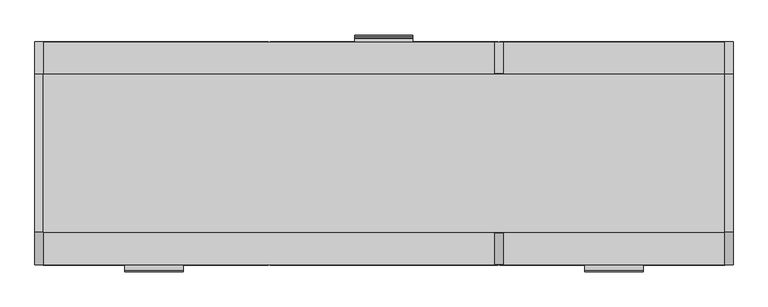
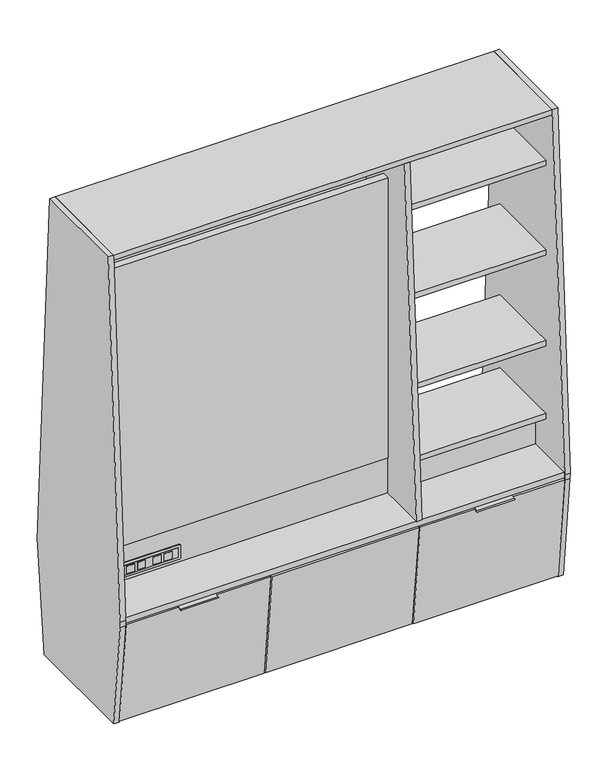
"""IFC4 building model written with IfcOpenShell, lengths in millimetres: furniture geometry."""

from ifc_helpers import new_model, si_unit, point, frame, frame_2d, origin, origin_with_axes, place, context, project, spatial, polyline, circle_curve, trimmed, segment, composite_curve, outline, extrude, faceted_brep, source, transform, mapped, element, save


def furniture_ca8d9b55(model_context):
    return source(origin(), model_context, "Body", "SolidModel", [
        extrude(outline(polyline([(157.7305213, 93.4892692), (189.4805213, 93.4892692), (189.4805213, 92.4677966), (157.7305213, 92.4677966), (157.7305213, 93.4892692)])), frame((0.0, 0.0, 504.4364571), z_axis=(0.0, 0.0, 1.0), x_axis=(1.0, 0.0, 0.0)), (0.0, 0.0, 1.0), 31.75),
        extrude(outline(polyline([(113.2805213, 93.4892692), (145.0305213, 93.4892692), (145.0305213, 92.4677966), (113.2805213, 92.4677966), (113.2805213, 93.4892692)])), frame((0.0, 0.0, 504.4364571), z_axis=(0.0, 0.0, 1.0), x_axis=(1.0, 0.0, 0.0)), (0.0, 0.0, 1.0), 31.75),
        extrude(outline(polyline([(49.7805213, 93.4892692), (81.5305213, 93.4892692), (81.5305213, 92.4677966), (49.7805213, 92.4677966), (49.7805213, 93.4892692)])), frame((0.0, 0.0, 504.4364571), z_axis=(0.0, 0.0, 1.0), x_axis=(1.0, 0.0, 0.0)), (0.0, 0.0, 1.0), 31.75),
        extrude(outline(polyline([(5.3305213, 93.4892692), (37.0805213, 93.4892692), (37.0805213, 92.4677966), (5.3305213, 92.4677966), (5.3305213, 93.4892692)])), frame((0.0, 0.0, 504.4364571), z_axis=(0.0, 0.0, 1.0), x_axis=(1.0, 0.0, 0.0)), (0.0, 0.0, 1.0), 31.75),
        extrude(outline(polyline([(-19.6704605, 92.4677966), (208.9295395, 92.4677966), (208.9295395, 90.7152856), (-19.6704605, 90.7152856), (-19.6704605, 92.4677966)])), frame((0.0, 0.0, 500.0486504), z_axis=(0.0, 0.0, 1.0), x_axis=(1.0, 0.0, 0.0)), (0.0, 0.0, 1.0), 40.3854567),
        extrude(outline(composite_curve([segment(trimmed(circle_curve(frame_2d((545.1966071, -26.0204605)), 6.35), [point((551.5466071, -26.0204605))], [point((545.1966071, -32.3704605))], False, "CARTESIAN"), True, "CONTINUOUS"), segment(polyline([(545.1966071, -32.3704605), (495.2861504, -32.3704605)]), True, "CONTINUOUS"), segment(trimmed(circle_curve(frame_2d((495.2861504, -26.0204605)), 6.35), [point((495.2861504, -32.3704605))], [point((488.9361504, -26.0204605))], False, "CARTESIAN"), True, "CONTINUOUS"), segment(polyline([(488.9361504, -26.0204605), (488.9361504, 215.2795395)]), True, "CONTINUOUS"), segment(trimmed(circle_curve(frame_2d((495.2861504, 215.2795395)), 6.35), [point((488.9361504, 215.2795395))], [point((495.2861504, 221.6295395))], False, "CARTESIAN"), True, "CONTINUOUS"), segment(polyline([(495.2861504, 221.6295395), (545.1966071, 221.6295395)]), True, "CONTINUOUS"), segment(trimmed(circle_curve(frame_2d((545.1966071, 215.2795395)), 6.35), [point((545.1966071, 221.6295395))], [point((551.5466071, 215.2795395))], False, "CARTESIAN"), True, "CONTINUOUS"), segment(polyline([(551.5466071, 215.2795395), (551.5466071, -26.0204605)]), True, "CONTINUOUS")], self_intersect=False)), frame((0.0, 87.2211236, 0.0), z_axis=(0.0, 1.0, 0.0), x_axis=(0.0, 0.0, 1.0)), (0.0, 0.0, 1.0), 3.494162),
        extrude(outline(polyline([(-891.41351, 91.9757812), (289.71291, 91.9757812), (289.71291, 62.9943813), (-891.41351, 62.9943813), (-891.41351, 91.9757812)])), frame((0.0, 0.0, 627.7356), z_axis=(0.0, 0.0, 1.0), x_axis=(1.0, 0.0, 0.0)), (0.0, 0.0, 1.0), 1203.325),
        extrude(outline(polyline([(-891.41351, 87.2211366), (289.71189, 87.2211366), (289.71189, 62.9895366), (-891.41351, 62.9895366), (-891.41351, 87.2211366)])), frame((0.0, 0.0, 475.3356), z_axis=(0.0, 0.0, 1.0), x_axis=(1.0, 0.0, 0.0)), (0.0, 0.0, 1.0), 152.4),
        extrude(outline(polyline([(-741.9305213, -93.4892692), (-773.6805213, -93.4892692), (-773.6805213, -92.4677966), (-741.9305213, -92.4677966), (-741.9305213, -93.4892692)])), frame((0.0, 0.0, 504.4364571), z_axis=(0.0, 0.0, 1.0), x_axis=(1.0, 0.0, 0.0)), (0.0, 0.0, 1.0), 31.75),
        extrude(outline(polyline([(-697.4805213, -93.4892692), (-729.2305213, -93.4892692), (-729.2305213, -92.4677966), (-697.4805213, -92.4677966), (-697.4805213, -93.4892692)])), frame((0.0, 0.0, 504.4364571), z_axis=(0.0, 0.0, 1.0), x_axis=(1.0, 0.0, 0.0)), (0.0, 0.0, 1.0), 31.75),
        extrude(outline(polyline([(-633.9805213, -93.4892692), (-665.7305213, -93.4892692), (-665.7305213, -92.4677966), (-633.9805213, -92.4677966), (-633.9805213, -93.4892692)])), frame((0.0, 0.0, 504.4364571), z_axis=(0.0, 0.0, 1.0), x_axis=(1.0, 0.0, 0.0)), (0.0, 0.0, 1.0), 31.75),
        extrude(outline(polyline([(-589.5305213, -93.4892692), (-621.2805213, -93.4892692), (-621.2805213, -92.4677966), (-589.5305213, -92.4677966), (-589.5305213, -93.4892692)])), frame((0.0, 0.0, 504.4364571), z_axis=(0.0, 0.0, 1.0), x_axis=(1.0, 0.0, 0.0)), (0.0, 0.0, 1.0), 31.75),
        extrude(outline(polyline([(-564.5295395, -92.4677966), (-793.1295395, -92.4677966), (-793.1295395, -90.7152856), (-564.5295395, -90.7152856), (-564.5295395, -92.4677966)])), frame((0.0, 0.0, 500.0486504), z_axis=(0.0, 0.0, 1.0), x_axis=(1.0, 0.0, 0.0)), (0.0, 0.0, 1.0), 40.3854567),
        extrude(outline(composite_curve([segment(polyline([(551.5466071, -558.1795395), (551.5466071, -799.4795395)]), True, "CONTINUOUS"), segment(trimmed(circle_curve(frame_2d((545.1966071, -799.4795395)), 6.35), [point((551.5466071, -799.4795395))], [point((545.1966071, -805.8295395))], False, "CARTESIAN"), True, "CONTINUOUS"), segment(polyline([(545.1966071, -805.8295395), (495.2861504, -805.8295395)]), True, "CONTINUOUS"), segment(trimmed(circle_curve(frame_2d((495.2861504, -799.4795395)), 6.35), [point((495.2861504, -805.8295395))], [point((488.9361504, -799.4795395))], False, "CARTESIAN"), True, "CONTINUOUS"), segment(polyline([(488.9361504, -799.4795395), (488.9361504, -558.1795395)]), True, "CONTINUOUS"), segment(trimmed(circle_curve(frame_2d((495.2861504, -558.1795395)), 6.35), [point((488.9361504, -558.1795395))], [point((495.2861504, -551.8295395))], False, "CARTESIAN"), True, "CONTINUOUS"), segment(polyline([(495.2861504, -551.8295395), (545.1966071, -551.8295395)]), True, "CONTINUOUS"), segment(trimmed(circle_curve(frame_2d((545.1966071, -558.1795395)), 6.35), [point((545.1966071, -551.8295395))], [point((551.5466071, -558.1795395))], False, "CARTESIAN"), True, "CONTINUOUS")], self_intersect=False)), frame((0.0, -90.7152856, 0.0), z_axis=(0.0, 1.0, 0.0), x_axis=(0.0, 0.0, 1.0)), (0.0, 0.0, 1.0), 3.494162),
        extrude(outline(composite_curve([segment(polyline([(-307.1477177, 448.1712912), (-268.2073579, 452.264088), (-266.3258456, 434.3626938), (-268.3148894, 434.1536369), (-269.9873448, 450.0659872), (-300.8175235, 446.8256049)]), True, "CONTINUOUS"), segment(trimmed(circle_curve(frame_2d((-303.2992124, 446.137696)), 2.5752667), [point((-300.8175235, 446.8256049))], [point((-303.0300238, 443.5765369))], False, "CARTESIAN"), True, "CONTINUOUS"), segment(polyline([(-303.0300238, 443.5765369), (-306.9683305, 443.1626042)]), True, "CONTINUOUS"), segment(trimmed(circle_curve(frame_2d((-307.2308968, 445.6607562)), 2.5119126), [point((-306.9683305, 443.1626042))], [point((-307.1477177, 448.1712912))], False, "CARTESIAN"), True, "CONTINUOUS")], self_intersect=False)), frame((-677.89374, 0.0, 0.0), z_axis=(1.0, 0.0, 0.0), x_axis=(0.0, 1.0, 0.0)), (0.0, 0.0, 1.0), 152.4254),
        extrude(outline(polyline([(289.71189, -87.2211366), (-891.41351, -87.2211366), (-891.41351, -62.9895366), (289.71189, -62.9895366), (289.71189, -87.2211366)])), frame((0.0, 0.0, 475.3356), z_axis=(0.0, 0.0, 1.0), x_axis=(1.0, 0.0, 0.0)), (0.0, 0.0, 1.0), 152.4),
        extrude(outline(polyline([(0.0, -587.963), (0.0, 0.0), (22.2250001, 0.0), (22.2250001, -587.963), (0.0, -587.963)])), frame((-891.41351, -246.1869193, 5.4423018), z_axis=(0.0, -0.10452846326765257, 0.9945218953682735), x_axis=(0.0, 0.9945218953682735, 0.10452846326765257)), (0.0, 0.0, 1.0), 442.9125),
        extrude(outline(polyline([(0.0, -596.5134001), (0.0, 0.0), (22.2250001, 0.0), (22.2250001, -596.5134001), (0.0, -596.5134001)])), frame((-298.2671101, -246.1869193, 5.4423018), z_axis=(0.0, -0.10452846326765272, 0.9945218953682734), x_axis=(0.0, 0.9945218953682734, 0.10452846326765272)), (0.0, 0.0, 1.0), 442.9125),
        extrude(outline(polyline([(0.0, -587.9894201), (0.0, 0.0), (22.2250001, 0.0), (22.2250001, -587.9894201), (0.0, -587.9894201)])), frame((303.4240899, -246.1869193, 5.4423018), z_axis=(0.0, -0.10452846326765272, 0.9945218953682734), x_axis=(0.0, 0.9945218953682734, 0.10452846326765272)), (0.0, 0.0, 1.0), 442.9125),
        extrude(outline(polyline([(-207.9626828, 1959.9734301), (207.9626828, 1959.9734301), (291.2500554, 475.3466071), (-291.2500554, 475.3466071), (-207.9626828, 1959.9734301)])), frame((289.71291, 0.0, 0.0), z_axis=(1.0, 0.0, 0.0), x_axis=(0.0, 1.0, 0.0)), (0.0, 0.0, 1.0), 22.2239799),
        extrude(outline(composite_curve([segment(polyline([(-206.771875, 1981.2), (206.771875, 1981.2), (291.8251118, 465.0960229)]), True, "CONTINUOUS"), segment(trimmed(circle_curve(frame_2d((143.1743279, 456.7567332)), 148.8845167), [point((291.8251118, 465.0960229))], [point((291.2432396, 441.1940635))], False, "CARTESIAN"), True, "CONTINUOUS"), segment(polyline([(291.2432396, 441.1940635), (244.871875, 0.0), (-244.871875, 0.0), (-291.2432396, 441.1940635)]), True, "CONTINUOUS"), segment(trimmed(circle_curve(frame_2d((-143.1743279, 456.7567332)), 148.8845167), [point((-291.2432396, 441.1940635))], [point((-291.8251118, 465.0960229))], False, "CARTESIAN"), True, "CONTINUOUS"), segment(polyline([(-291.8251118, 465.0960229), (-206.771875, 1981.2)]), True, "CONTINUOUS")], self_intersect=False)), frame((891.41351, 0.0, 0.0), z_axis=(1.0, 0.0, 0.0), x_axis=(0.0, 1.0, 0.0)), (0.0, 0.0, 1.0), 22.2239799),
        faceted_brep([(213.5068001, -240.4533451, 163.5125), (-235.7683999, -240.4533451, 163.5125), (-235.7683999, -261.4781545, 363.5502), (-257.9933999, -261.4781545, 363.5502), (-257.9933999, -237.4513264, 134.9502), (-235.7683999, -237.4513264, 134.9502), (-235.7683999, -238.1174034, 141.2875), (213.5068001, -238.1174034, 141.2875), (213.5068001, -237.4513264, 134.9502), (235.7318001, -237.4513264, 134.9502), (235.7318001, -261.4781545, 363.5502), (213.5068001, -261.4781545, 363.5502), (-235.7683999, 102.5671085, 141.2875), (213.5068001, 102.5671085, 141.2875), (-235.7683999, 102.5671085, 163.5125), (213.5068001, 102.5671085, 163.5125), (235.7318001, 118.4421085, 134.9502), (235.7318001, 118.4421085, 363.5502), (213.5068001, 118.4421085, 363.5502), (213.5068001, 118.4421085, 134.9502), (-235.7683999, 118.4421085, 134.9502), (-235.7683999, 118.4421085, 363.5502), (-257.9933999, 118.4421085, 363.5502), (-257.9933999, 118.4421085, 134.9502)], [[[0, 1, 2, 3, 4, 5, 6, 7, 8, 9, 10, 11]], [[7, 6, 12, 13]], [[13, 12, 14, 15]], [[1, 0, 15, 14]], [[10, 9, 16, 17]], [[11, 18, 19, 8, 7, 13, 15, 0]], [[16, 9, 8, 19]], [[17, 16, 19, 18]], [[10, 17, 18, 11]], [[5, 20, 21, 2, 1, 14, 12, 6]], [[3, 22, 23, 4]], [[20, 5, 4, 23]], [[21, 20, 23, 22]], [[2, 21, 22, 3]]]),
        faceted_brep([(824.71311, -102.5671085, 163.5125), (375.43791, -102.5671085, 163.5125), (375.43791, -102.5671085, 141.2875), (824.71311, -102.5671085, 141.2875), (375.43791, 238.1174034, 141.2875), (824.71311, 238.1174034, 141.2875), (375.43791, 237.4513264, 134.9502), (353.21291, 237.4513264, 134.9502), (353.21291, 261.4781545, 363.5502), (375.43791, 261.4781545, 363.5502), (375.43791, 240.4533451, 163.5125), (824.71311, 240.4533451, 163.5125), (824.71311, 261.4781545, 363.5502), (846.93811, 261.4781545, 363.5502), (846.93811, 237.4513264, 134.9502), (824.71311, 237.4513264, 134.9502), (375.43791, -118.5629409, 363.5502), (375.43791, -118.5629409, 134.9502), (353.21291, -118.5629409, 363.5502), (353.21291, -118.5629409, 134.9502), (846.93811, -118.5629409, 363.5502), (846.93811, -118.5629409, 134.9502), (824.71311, -118.5629409, 363.5502), (824.71311, -118.5629409, 134.9502)], [[[0, 1, 2, 3]], [[3, 2, 4, 5]], [[5, 4, 6, 7, 8, 9, 10, 11, 12, 13, 14, 15]], [[1, 0, 11, 10]], [[16, 17, 6, 4, 2, 1, 10, 9]], [[18, 8, 7, 19]], [[17, 16, 18, 19]], [[6, 17, 19, 7]], [[16, 9, 8, 18]], [[20, 21, 14, 13]], [[22, 12, 11, 0, 3, 5, 15, 23]], [[21, 20, 22, 23]], [[14, 21, 23, 15]], [[20, 13, 12, 22]]]),
        faceted_brep([(-378.63831, -102.5671085, 163.5125), (-827.91351, -102.5671085, 163.5125), (-827.91351, -102.5671085, 141.2875), (-378.63831, -102.5671085, 141.2875), (-827.91351, 238.1174034, 141.2875), (-378.63831, 238.1174034, 141.2875), (-827.91351, 237.4513264, 134.9502), (-850.13851, 237.4513264, 134.9502), (-850.13851, 261.4781545, 363.5502), (-827.91351, 261.4781545, 363.5502), (-827.91351, 240.4533451, 163.5125), (-378.63831, 240.4533451, 163.5125), (-378.63831, 261.4781545, 363.5502), (-356.41331, 261.4781545, 363.5502), (-356.41331, 237.4513264, 134.9502), (-378.63831, 237.4513264, 134.9502), (-356.41331, -118.5629409, 363.5502), (-356.41331, -118.5629409, 134.9502), (-378.63831, -118.5629409, 363.5502), (-378.63831, -118.5629409, 134.9502), (-827.91351, -118.5629409, 363.5502), (-827.91351, -118.5629409, 134.9502), (-850.13851, -118.5629409, 363.5502), (-850.13851, -118.5629409, 134.9502)], [[[0, 1, 2, 3]], [[3, 2, 4, 5]], [[5, 4, 6, 7, 8, 9, 10, 11, 12, 13, 14, 15]], [[1, 0, 11, 10]], [[16, 17, 14, 13]], [[18, 12, 11, 0, 3, 5, 15, 19]], [[17, 16, 18, 19]], [[14, 17, 19, 15]], [[16, 13, 12, 18]], [[20, 21, 6, 4, 2, 1, 10, 9]], [[22, 8, 7, 23]], [[21, 20, 22, 23]], [[6, 21, 23, 7]], [[20, 9, 8, 22]]]),
        extrude(outline(composite_curve([segment(trimmed(circle_curve(frame_2d((307.2308968, 445.6607562)), 2.5119126), [point((307.1477177, 448.1712912))], [point((306.9683305, 443.1626042))], False, "CARTESIAN"), True, "CONTINUOUS"), segment(polyline([(306.9683305, 443.1626042), (303.0300238, 443.5765369)]), True, "CONTINUOUS"), segment(trimmed(circle_curve(frame_2d((303.2992124, 446.137696)), 2.5752667), [point((303.0300238, 443.5765369))], [point((300.8175235, 446.8256049))], False, "CARTESIAN"), True, "CONTINUOUS"), segment(polyline([(300.8175235, 446.8256049), (269.9873448, 450.0659872), (268.3148894, 434.1536369), (266.3258456, 434.3626938), (268.2073579, 452.264088), (307.1477177, 448.1712912)]), True, "CONTINUOUS")], self_intersect=False)), frame((-77.0222, 0.0, 0.0), z_axis=(1.0, 0.0, 0.0), x_axis=(0.0, 1.0, 0.0)), (0.0, 0.0, 1.0), 152.4),
        extrude(outline(composite_curve([segment(polyline([(-307.1477177, 448.1712912), (-268.2073579, 452.264088), (-266.3258456, 434.3626938), (-268.3148894, 434.1536369), (-269.9873448, 450.0659872), (-300.8175235, 446.8256049)]), True, "CONTINUOUS"), segment(trimmed(circle_curve(frame_2d((-303.2992124, 446.137696)), 2.5752667), [point((-300.8175235, 446.8256049))], [point((-303.0300238, 443.5765369))], False, "CARTESIAN"), True, "CONTINUOUS"), segment(polyline([(-303.0300238, 443.5765369), (-306.9683305, 443.1626042)]), True, "CONTINUOUS"), segment(trimmed(circle_curve(frame_2d((-307.2308968, 445.6607562)), 2.5119126), [point((-306.9683305, 443.1626042))], [point((-307.1477177, 448.1712912))], False, "CARTESIAN"), True, "CONTINUOUS")], self_intersect=False)), frame((525.46834, 0.0, 0.0), z_axis=(1.0, 0.0, 0.0), x_axis=(0.0, 1.0, 0.0)), (0.0, 0.0, 1.0), 152.4254),
        extrude(outline(polyline([(891.41351, -62.9895366), (891.41351, -87.2211366), (311.93689, -87.2211366), (311.93689, -62.9895366), (891.41351, -62.9895366)])), frame((0.0, 0.0, 475.3466071), z_axis=(0.0, 0.0, 1.0), x_axis=(1.0, 0.0, 0.0)), (0.0, 0.0, 1.0), 152.4),
        extrude(outline(polyline([(891.41351, 87.2211366), (891.41351, 62.9895366), (311.93689, 62.9895366), (311.93689, 87.2211366), (891.41351, 87.2211366)])), frame((0.0, 0.0, 475.3466071), z_axis=(0.0, 0.0, 1.0), x_axis=(1.0, 0.0, 0.0)), (0.0, 0.0, 1.0), 152.4),
        extrude(outline(polyline([(-266.7, 453.1216071), (266.7, 453.1216071), (219.075, 0.0), (196.85, 0.0), (196.85, 120.65), (-196.85, 120.65), (-196.85, 0.0), (-219.075, 0.0), (-266.7, 453.1216071)])), frame((-311.93689, 0.0, 0.0), z_axis=(1.0, 0.0, 0.0), x_axis=(0.0, 1.0, 0.0)), (0.0, 0.0, 1.0), 22.225),
        extrude(outline(polyline([(-266.7, 453.1216071), (266.7, 453.1216071), (219.075, 0.0), (196.85, 0.0), (196.85, 120.65), (-196.85, 120.65), (-196.85, 0.0), (-219.075, 0.0), (-266.7, 453.1216071)])), frame((289.71189, 0.0, 0.0), z_axis=(1.0, 0.0, 0.0), x_axis=(0.0, 1.0, 0.0)), (0.0, 0.0, 1.0), 22.225),
        extrude(outline(polyline([(891.38709, 291.1357527), (891.38709, -291.1606582), (-891.41351, -291.1606582), (-891.41351, 291.1357527), (891.38709, 291.1357527)])), frame((0.0, 0.0, 453.1216071), z_axis=(0.0, 0.0, 1.0), x_axis=(1.0, 0.0, 0.0)), (0.0, 0.0, 1.0), 22.225),
        extrude(outline(polyline([(891.38709, 196.85), (891.38709, -196.85), (-891.41351, -196.85), (-891.41351, 196.85), (891.38709, 196.85)])), frame((0.0, 0.0, 98.425), z_axis=(0.0, 0.0, 1.0), x_axis=(1.0, 0.0, 0.0)), (0.0, 0.0, 1.0), 22.225),
        extrude(outline(polyline([(-890.61976, 219.075), (-312.75706, 219.075), (-312.75706, 196.85), (-890.61976, 196.85), (-890.61976, 219.075)])), origin_with_axes(), (0.0, 0.0, 1.0), 119.65),
        extrude(outline(polyline([(-288.94456, 219.075), (288.91814, 219.075), (288.91814, 196.85), (-288.94456, 196.85), (-288.94456, 219.075)])), origin_with_axes(), (0.0, 0.0, 1.0), 119.65),
        extrude(outline(polyline([(312.73064, 219.075), (890.59334, 219.075), (890.59334, 196.85), (312.73064, 196.85), (312.73064, 219.075)])), origin_with_axes(), (0.0, 0.0, 1.0), 119.65),
        extrude(outline(polyline([(-312.75706, -219.075), (-890.61976, -219.075), (-890.61976, -196.85), (-312.75706, -196.85), (-312.75706, -219.075)])), origin_with_axes(), (0.0, 0.0, 1.0), 119.65),
        extrude(outline(polyline([(288.91814, -219.075), (-288.94456, -219.075), (-288.94456, -196.85), (288.91814, -196.85), (288.91814, -219.075)])), origin_with_axes(), (0.0, 0.0, 1.0), 119.65),
        extrude(outline(polyline([(890.59334, -219.075), (312.73064, -219.075), (312.73064, -196.85), (890.59334, -196.85), (890.59334, -219.075)])), origin_with_axes(), (0.0, 0.0, 1.0), 119.65),
        extrude(outline(polyline([(0.0, -587.963), (0.0, 0.0), (22.2250001, 0.0), (22.2250001, -587.963), (0.0, -587.963)])), frame((-303.45051, 246.1869193, 5.4423018), z_axis=(0.0, 0.10452846326765272, 0.9945218953682734), x_axis=(0.0, -0.9945218953682734, 0.10452846326765272)), (0.0, 0.0, 1.0), 442.9125),
        extrude(outline(polyline([(0.0, -596.5134001), (0.0, 0.0), (22.2250001, 0.0), (22.2250001, -596.5134001), (0.0, -596.5134001)])), frame((298.24629, 246.1869193, 5.4423018), z_axis=(0.0, 0.10452846326765257, 0.9945218953682735), x_axis=(0.0, -0.9945218953682735, 0.10452846326765257)), (0.0, 0.0, 1.0), 442.9125),
        extrude(outline(polyline([(0.0, -587.9894201), (0.0, 0.0), (22.2250001, 0.0), (22.2250001, -587.9894201), (0.0, -587.9894201)])), frame((891.41351, 246.1869193, 5.4423018), z_axis=(0.0, 0.10452846326765575, 0.9945218953682732), x_axis=(0.0, -0.9945218953682732, 0.10452846326765575)), (0.0, 0.0, 1.0), 442.9125),
        extrude(outline(polyline([(289.71291, -91.9757812), (-891.41351, -91.9757812), (-891.41351, -62.9943813), (289.71291, -62.9943813), (289.71291, -91.9757812)])), frame((0.0, 0.0, 627.7356), z_axis=(0.0, 0.0, 1.0), x_axis=(1.0, 0.0, 0.0)), (0.0, 0.0, 1.0), 1203.325),
        extrude(outline(polyline([(891.38709, 206.771875), (891.38709, -206.771875), (-891.41351, -206.771875), (-891.41351, 206.771875), (891.38709, 206.771875)])), frame((0.0, 0.0, 1959.9734301), z_axis=(0.0, 0.0, 1.0), x_axis=(1.0, 0.0, 0.0)), (0.0, 0.0, 1.0), 21.2265699),
        extrude(outline(polyline([(891.41351, 163.4744), (891.41351, -161.5186), (311.93689, -161.5186), (311.93689, 163.4744), (891.41351, 163.4744)])), frame((0.0, 0.0, 1715.2641071), z_axis=(0.0, 0.0, 1.0), x_axis=(1.0, 0.0, 0.0)), (0.0, 0.0, 1.0), 22.225),
        extrude(outline(polyline([(891.41351, -161.5186), (311.93689, -161.5186), (311.93689, 163.4744), (891.41351, 163.4744), (891.41351, -161.5186)])), frame((0.0, 0.0, 1330.6916071), z_axis=(0.0, 0.0, 1.0), x_axis=(1.0, 0.0, 0.0)), (0.0, 0.0, 1.0), 22.225),
        extrude(outline(polyline([(891.41351, 163.4744), (891.41351, -161.5186), (311.93689, -161.5186), (311.93689, 163.4744), (891.41351, 163.4744)])), frame((0.0, 0.0, 941.1191071), z_axis=(0.0, 0.0, 1.0), x_axis=(1.0, 0.0, 0.0)), (0.0, 0.0, 1.0), 22.225),
        extrude(outline(polyline([(891.41351, 163.4744), (891.41351, -161.5186), (311.93689, -161.5186), (311.93689, 163.4744), (891.41351, 163.4744)])), frame((0.0, 0.0, 627.7466071), z_axis=(0.0, 0.0, 1.0), x_axis=(1.0, 0.0, 0.0)), (0.0, 0.0, 1.0), 22.225),
        extrude(outline(composite_curve([segment(polyline([(-206.771875, 1981.2), (206.771875, 1981.2), (291.8251118, 465.0960229)]), True, "CONTINUOUS"), segment(trimmed(circle_curve(frame_2d((143.1743279, 456.7567332)), 148.8845167), [point((291.8251118, 465.0960229))], [point((291.2432396, 441.1940635))], False, "CARTESIAN"), True, "CONTINUOUS"), segment(polyline([(291.2432396, 441.1940635), (244.871875, 0.0), (-244.871875, 0.0), (-291.2432396, 441.1940635)]), True, "CONTINUOUS"), segment(trimmed(circle_curve(frame_2d((-143.1743279, 456.7567332)), 148.8845167), [point((-291.2432396, 441.1940635))], [point((-291.8251118, 465.0960229))], False, "CARTESIAN"), True, "CONTINUOUS"), segment(polyline([(-291.8251118, 465.0960229), (-206.771875, 1981.2)]), True, "CONTINUOUS")], self_intersect=False)), frame((-913.63749, 0.0, 0.0), z_axis=(1.0, 0.0, 0.0), x_axis=(0.0, 1.0, 0.0)), (0.0, 0.0, 1.0), 22.2239799),
    ])


if __name__ == "__main__":
    model = new_model("IFC4")
    model_context = context("Model", 3, world=origin())
    ifc_project = project(units=[si_unit("LENGTHUNIT", "METRE", prefix="MILLI")], contexts=[model_context])
    site = spatial("IfcSite", under=ifc_project)
    building = spatial("IfcBuilding", under=site)
    placement = place(None, origin())
    furniture_shape = furniture_ca8d9b55(model_context)
    element("IfcFurniture", 1, at=placement, inside=building, context=model_context, shape_type="MappedRepresentation", body=[
        mapped(furniture_shape, transform((0.0, 0.0, 0.0), x_axis=(1.0, 0.0, 0.0), y_axis=(0.0, 1.0, 0.0), z_axis=(0.0, 0.0, 1.0))),
    ])
    save(model, "model.ifc")
